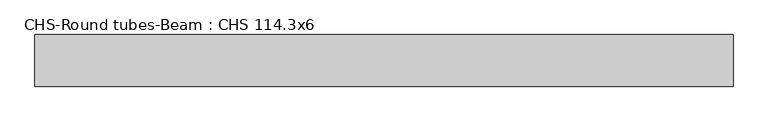
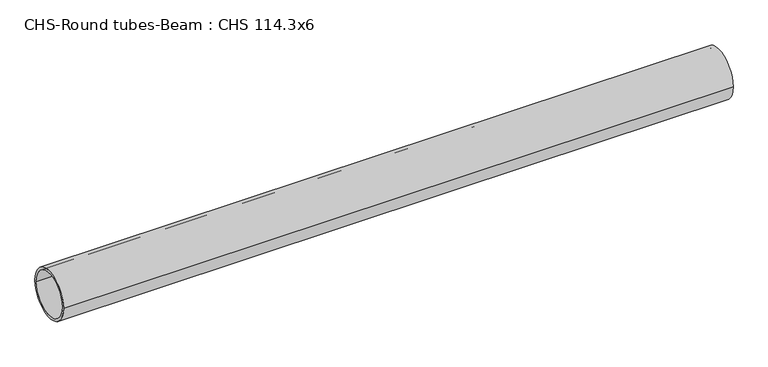
"""IFC4 building model written with IfcOpenShell, lengths in millimetres: beam geometry, CHS-Round tubes-Beam : CHS 114.3x6."""

from ifc_helpers import new_model, si_unit, point, frame, origin, origin_2d, place, context, project, spatial, circle_curve, trimmed, segment, composite_curve, outline, extrude, source, transform, mapped, element, save


def chs_round_tubes_beam_chs_114_3x6_b32eba58(model_context):
    return source(origin(), model_context, "Body", "SweptSolid", [
        extrude(outline(composite_curve([segment(trimmed(circle_curve(origin_2d(), 57.15), [point((57.15, 0.0))], [point((-57.15, 0.0))], False, "CARTESIAN"), True, "CONTINUOUS"), segment(trimmed(circle_curve(origin_2d(), 57.15), [point((-57.15, 0.0))], [point((57.15, 0.0))], False, "CARTESIAN"), True, "CONTINUOUS")], self_intersect=False), holes=[composite_curve([segment(trimmed(circle_curve(origin_2d(), 51.15), [point((51.15, 0.0))], [point((-51.15, 0.0))], True, "CARTESIAN"), True, "CONTINUOUS"), segment(trimmed(circle_curve(origin_2d(), 51.15), [point((-51.15, 0.0))], [point((51.15, 0.0))], True, "CARTESIAN"), True, "CONTINUOUS")], self_intersect=False)]), frame((-747.1785578, 0.0, 0.0), z_axis=(1.0, 0.0, 0.0), x_axis=(0.0, 1.0, 0.0)), (0.0, 0.0, 1.0), 1544.6513505),
    ])


if __name__ == "__main__":
    model = new_model("IFC4")
    model_context = context("Model", 3, world=origin())
    ifc_project = project(units=[si_unit("LENGTHUNIT", "METRE", prefix="MILLI")], contexts=[model_context])
    site = spatial("IfcSite", under=ifc_project)
    building = spatial("IfcBuilding", under=site)
    placement = place(None, origin())
    chs_round_tubes_beam_chs_114_3x6_shape = chs_round_tubes_beam_chs_114_3x6_b32eba58(model_context)
    element("IfcBeam", 1, ObjectType="CHS-Round tubes-Beam : CHS 114.3x6", at=placement, inside=building, context=model_context, shape_type="MappedRepresentation", body=[
        mapped(chs_round_tubes_beam_chs_114_3x6_shape, transform((0.0, 0.0, 0.0), x_axis=(1.0, 0.0, 0.0), y_axis=(0.0, 1.0, 0.0), z_axis=(0.0, 0.0, 1.0))),
    ])
    save(model, "model.ifc")
